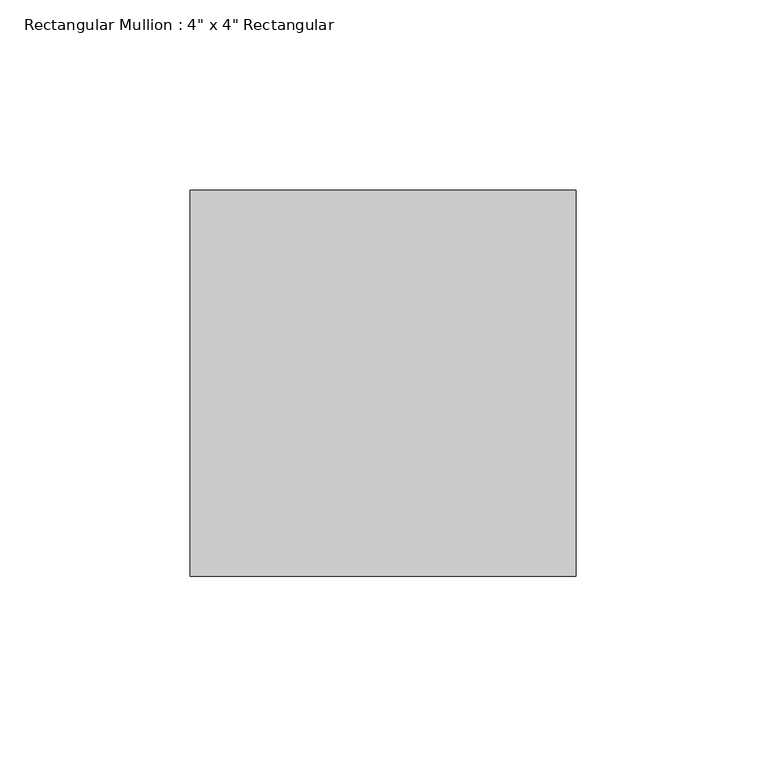
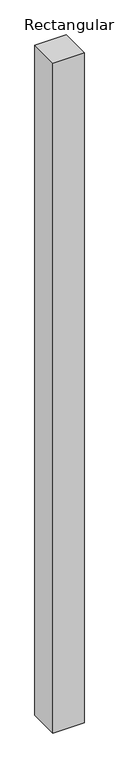
"""IFC4 building model written with IfcOpenShell, lengths in millimetres: member geometry."""

from ifc_helpers import new_model, si_unit, frame, origin, place, context, project, spatial, polyline, outline, extrude, source, transform, mapped, element, save


def member_55ba28de(model_context):
    return source(origin(), model_context, "Body", "SweptSolid", [
        extrude(outline(polyline([(0.0, 50.8), (0.0, -50.8), (-101.6, -50.8), (-101.6, 50.8), (0.0, 50.8)])), frame((0.0, 0.0, -2311.4), z_axis=(0.0, 0.0, 1.0), x_axis=(1.0, 0.0, 0.0)), (0.0, 0.0, 1.0), 2311.4),
    ])


if __name__ == "__main__":
    model = new_model("IFC4")
    model_context = context("Model", 3, world=origin())
    ifc_project = project(units=[si_unit("LENGTHUNIT", "METRE", prefix="MILLI")], contexts=[model_context])
    site = spatial("IfcSite", under=ifc_project)
    building = spatial("IfcBuilding", under=site)
    placement = place(None, origin())
    member_shape = member_55ba28de(model_context)
    element("IfcMember", 1, ObjectType="Rectangular Mullion : 4\" x 4\" Rectangular", at=placement, inside=building, context=model_context, shape_type="MappedRepresentation", body=[
        mapped(member_shape, transform((0.0, 0.0, 0.0), x_axis=(1.0, 0.0, 0.0), y_axis=(0.0, 1.0, 0.0), z_axis=(0.0, 0.0, 1.0))),
    ])
    save(model, "model.ifc")
